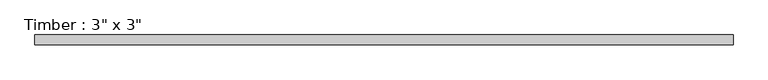
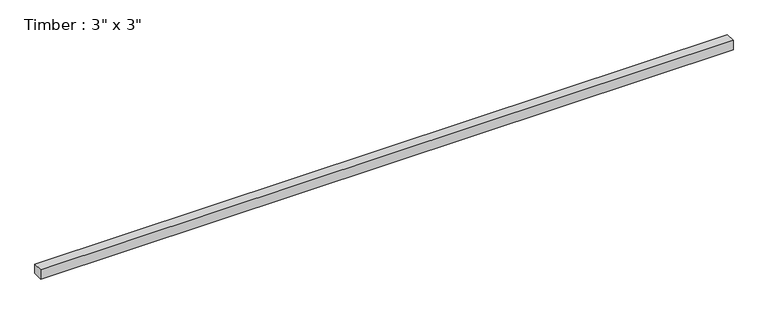
"""IFC4 building model written with IfcOpenShell, lengths in millimetres: beam geometry."""

from ifc_helpers import new_model, si_unit, frame, origin, place, context, project, spatial, polyline, outline, extrude, source, transform, mapped, element, save


def beam_d31c0e2f(model_context):
    return source(origin(), model_context, "Body", "SweptSolid", [
        extrude(outline(polyline([(2709.8625, 38.1), (2709.8625, -38.1), (-2709.8625, -38.1), (-2709.8625, 38.1), (2709.8625, 38.1)])), frame((0.0, 0.0, -38.1), z_axis=(0.0, 0.0, 1.0), x_axis=(1.0, 0.0, 0.0)), (0.0, 0.0, 1.0), 76.2),
    ])


if __name__ == "__main__":
    model = new_model("IFC4")
    model_context = context("Model", 3, world=origin())
    ifc_project = project(units=[si_unit("LENGTHUNIT", "METRE", prefix="MILLI")], contexts=[model_context])
    site = spatial("IfcSite", under=ifc_project)
    building = spatial("IfcBuilding", under=site)
    placement = place(None, origin())
    beam_shape = beam_d31c0e2f(model_context)
    element("IfcBeam", 1, ObjectType="Timber : 3\" x 3\"", at=placement, inside=building, context=model_context, shape_type="MappedRepresentation", body=[
        mapped(beam_shape, transform((0.0, 0.0, 0.0), x_axis=(1.0, 0.0, 0.0), y_axis=(0.0, 1.0, 0.0), z_axis=(0.0, 0.0, 1.0))),
    ])
    save(model, "model.ifc")
